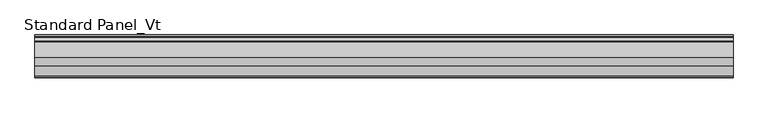
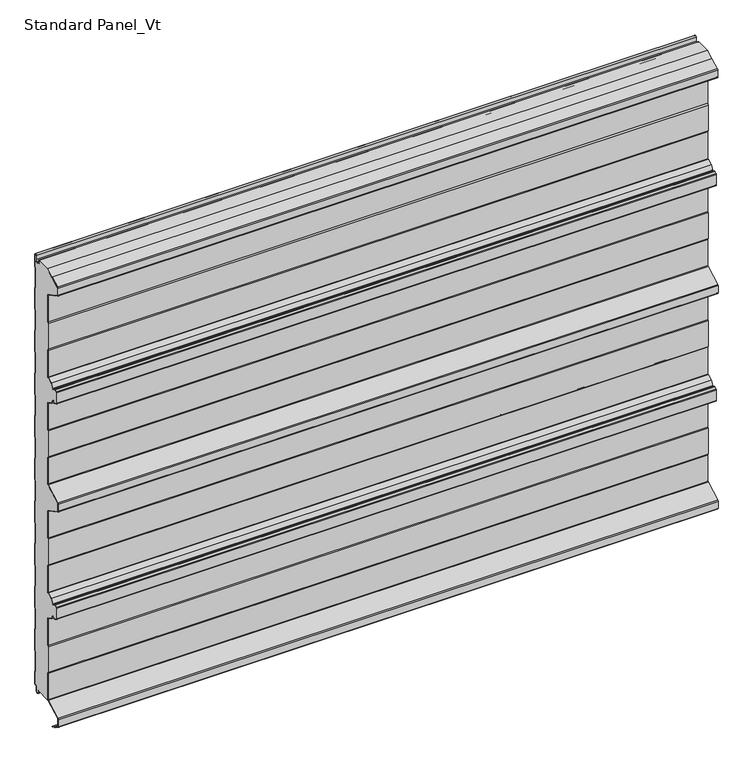
"""IFC4 building model written with IfcOpenShell, lengths in millimetres: proxy geometry, Standard Panel_Vt."""

from ifc_helpers import new_model, si_unit, point, frame, frame_2d, origin, place, context, project, spatial, polyline, circle_curve, trimmed, segment, composite_curve, outline, extrude, source, transform, mapped, element, save


def standard_panel_vt_4b2c9df1(model_context):
    return source(origin(), model_context, "Body", "SweptSolid", [
        extrude(outline(composite_curve([segment(polyline([(-49.2, 32.543601), (-49.2, 93.8381725), (-50.1683897, 96.2198058), (-50.1683897, 156.0111465), (-49.2, 158.3927799), (-49.2, 220.5320467)]), True, "CONTINUOUS"), segment(trimmed(circle_curve(frame_2d((-50.9999978, 220.5292608)), 1.8), [point((-49.2, 220.5320467))], [point((-50.1549332, 222.118558))], True, "CARTESIAN"), True, "CONTINUOUS"), segment(polyline([(-50.1549332, 222.118558), (-61.6730163, 228.2429789), (-67.3606338, 237.2263708)]), True, "CONTINUOUS"), segment(trimmed(circle_curve(frame_2d((-68.8814507, 236.2635023)), 1.8), [point((-67.3606338, 237.2263708))], [point((-69.6883253, 237.8725248))], True, "CARTESIAN"), True, "CONTINUOUS"), segment(polyline([(-69.6883253, 237.8725248), (-74.8672514, 235.275455), (-80.4669529, 238.2529407), (-80.4669529, 263.7469089), (-74.8564238, 266.730009), (-69.6882431, 264.1381991)]), True, "CONTINUOUS"), segment(trimmed(circle_curve(frame_2d((-68.8813366, 265.7472056)), 1.8), [point((-69.6882431, 264.1381991))], [point((-67.3605387, 264.7843069))], True, "CARTESIAN"), True, "CONTINUOUS"), segment(polyline([(-67.3605387, 264.7843069), (-61.6832892, 273.7509288), (-50.1548264, 279.880575)]), True, "CONTINUOUS"), segment(trimmed(circle_curve(frame_2d((-50.9997352, 281.4696552)), 1.7997352), [point((-50.1548264, 279.880575))], [point((-49.2, 281.4696552))], True, "CARTESIAN"), True, "CONTINUOUS"), segment(polyline([(-49.2, 281.4696552), (-49.2, 343.6072197), (-50.1683897, 345.9888602), (-50.1683897, 405.780201), (-49.2, 408.1618409), (-49.2, 469.4564123)]), True, "CONTINUOUS"), segment(trimmed(circle_curve(frame_2d((-51.75, 469.4564123)), 2.55), [point((-49.2, 469.4564123))], [point((-50.5528475, 471.7079287))], True, "CARTESIAN"), True, "CONTINUOUS"), segment(polyline([(-50.5528475, 471.7079287), (-86.4808064, 490.8111633)]), True, "CONTINUOUS"), segment(trimmed(circle_curve(frame_2d((-85.5183897, 492.6212058)), 2.05), [point((-86.4808064, 490.8111633))], [point((-87.5683897, 492.6212058))], False, "CARTESIAN"), True, "CONTINUOUS"), segment(polyline([(-87.5683897, 492.6212058), (-87.5683897, 509.3787942)]), True, "CONTINUOUS"), segment(trimmed(circle_curve(frame_2d((-85.5183897, 509.3787942)), 2.05), [point((-87.5683897, 509.3787942))], [point((-86.4808064, 511.1888367))], False, "CARTESIAN"), True, "CONTINUOUS"), segment(polyline([(-86.4808064, 511.1888367), (-50.5528475, 530.2920713)]), True, "CONTINUOUS"), segment(trimmed(circle_curve(frame_2d((-51.75, 532.5435877)), 2.55), [point((-50.5528475, 530.2920713))], [point((-49.2, 532.5435877))], True, "CARTESIAN"), True, "CONTINUOUS"), segment(polyline([(-49.2, 532.5435877), (-49.2, 594.3381591), (-50.1683897, 596.719799), (-50.1683897, 656.5111398), (-49.2, 658.8927797), (-49.2, 720.3455631)]), True, "CONTINUOUS"), segment(trimmed(circle_curve(frame_2d((-50.9904904, 720.5303448)), 1.8), [point((-49.2, 720.3455631))], [point((-50.1454573, 722.1196588))], True, "CARTESIAN"), True, "CONTINUOUS"), segment(polyline([(-50.1454573, 722.1196588), (-61.6734802, 728.2490711), (-67.3507298, 737.2156932)]), True, "CONTINUOUS"), segment(trimmed(circle_curve(frame_2d((-68.8715276, 736.2527945)), 1.8), [point((-67.3507298, 737.2156932))], [point((-69.6784342, 737.861801))], True, "CARTESIAN"), True, "CONTINUOUS"), segment(polyline([(-69.6784342, 737.861801), (-74.8466132, 735.269992), (-80.4573069, 738.2530732), (-80.4573069, 763.7469201), (-74.8574433, 766.7245456), (-69.6785164, 764.1274753)]), True, "CONTINUOUS"), segment(trimmed(circle_curve(frame_2d((-68.8716418, 765.7364978)), 1.8), [point((-69.6785164, 764.1274753))], [point((-67.3508249, 764.7736293))], True, "CARTESIAN"), True, "CONTINUOUS"), segment(polyline([(-67.3508249, 764.7736293), (-61.6632074, 773.7570212), (-50.1451242, 779.8814421)]), True, "CONTINUOUS"), segment(trimmed(circle_curve(frame_2d((-50.9901889, 781.4707393)), 1.8), [point((-50.1451242, 779.8814421))], [point((-49.2, 781.6584189))], True, "CARTESIAN"), True, "CONTINUOUS"), segment(polyline([(-49.2, 781.6584189), (-49.2, 843.5389374), (-50.1683897, 846.5544463), (-50.1683897, 906.3542239), (-49.2, 909.3076807), (-49.2, 970.7065818)]), True, "CONTINUOUS"), segment(trimmed(circle_curve(frame_2d((-51.7198823, 970.7065818)), 2.5198823), [point((-49.2, 970.7065818))], [point((-50.5090325, 972.91648))], True, "CARTESIAN"), True, "CONTINUOUS"), segment(polyline([(-50.5090325, 972.91648), (-85.4813607, 991.4349523)]), True, "CONTINUOUS"), segment(trimmed(circle_curve(frame_2d((-84.5183897, 993.2447)), 2.05), [point((-85.4813607, 991.4349523))], [point((-86.5683897, 993.2447))], False, "CARTESIAN"), True, "CONTINUOUS"), segment(polyline([(-86.5683897, 993.2447), (-86.5683897, 1008.7553)]), True, "CONTINUOUS"), segment(trimmed(circle_curve(frame_2d((-84.5183897, 1008.7553)), 2.05), [point((-86.5683897, 1008.7553))], [point((-85.4808064, 1010.5653426))], False, "CARTESIAN"), True, "CONTINUOUS"), segment(polyline([(-85.4808064, 1010.5653426), (-46.7559646, 1031.1557062), (-15.3551162, 1031.1557063)]), True, "CONTINUOUS"), segment(trimmed(circle_curve(frame_2d((-15.3274964, 1029.5059375)), 1.65), [point((-15.3551162, 1031.1557063))], [point((-16.9611095, 1029.7379036))], True, "CARTESIAN"), True, "CONTINUOUS"), segment(polyline([(-16.9611095, 1029.7379036), (-17.660313, 1024.8137877), (-16.8682582, 1024.7013192), (-16.1690547, 1029.6254352)]), True, "CONTINUOUS"), segment(trimmed(circle_curve(frame_2d((-15.3274964, 1029.5059375)), 0.85), [point((-16.1690547, 1029.6254352))], [point((-14.4904098, 1029.6535385))], False, "CARTESIAN"), True, "CONTINUOUS"), segment(polyline([(-14.4904098, 1029.6535385), (-13.7278368, 1025.3287722)]), True, "CONTINUOUS"), segment(trimmed(circle_curve(frame_2d((-9.05, 1026.153601)), 4.75), [point((-13.7278368, 1025.3287722))], [point((-4.3, 1026.153601))], True, "CARTESIAN"), True, "CONTINUOUS"), segment(polyline([(-4.3, 1026.153601), (-4.3, 1035.653601)]), True, "CONTINUOUS"), segment(trimmed(circle_curve(frame_2d((-2.55, 1035.653601)), 1.75), [point((-4.3, 1035.653601))], [point((-0.8, 1035.653601))], False, "CARTESIAN"), True, "CONTINUOUS"), segment(polyline([(-0.8, 1035.653601), (-0.8, 1008.0956151), (-1.8, 1006.3635643), (-1.8, 959.8989472), (-0.8, 958.1668964), (-0.8, 909.0956151), (-1.8, 907.3635643), (-1.8, 860.8989472), (-0.8, 859.1668964), (-0.8, 810.0956151), (-1.8, 808.3635643), (-1.8, 761.8989472), (-0.8, 760.1668964), (-0.8, 711.0974098), (-1.8, 709.3229083), (-1.8, 662.8989472), (-0.8, 661.1668964), (-0.8, 612.0956151), (-1.8, 610.3635643), (-1.8, 563.8989472), (-0.8, 562.1668964), (-0.8, 513.0956151), (-1.8, 511.3635643), (-1.8, 464.8989472), (-0.8, 463.1668964), (-0.8, 414.0974098), (-1.8, 412.3229083), (-1.8, 365.8989472), (-0.8, 364.1668964), (-0.8, 315.0974098), (-1.8, 313.3229083), (-1.8, 266.8989472), (-0.8, 265.1668964), (-0.8, 216.0956151), (-1.8, 214.3635643), (-1.8, 167.8989472), (-0.786297, 166.1668964), (-0.786297, 117.0974098), (-1.786297, 115.3229083), (-1.786297, 68.8989472), (-0.786297, 67.1668964), (-0.786297, 40.153601)]), True, "CONTINUOUS"), segment(trimmed(circle_curve(frame_2d((-2.036297, 40.153601)), 1.25), [point((-0.786297, 40.153601))], [point((-2.036297, 38.903601))], False, "CARTESIAN"), True, "CONTINUOUS"), segment(polyline([(-2.036297, 38.903601), (-3.436297, 38.903601)]), True, "CONTINUOUS"), segment(trimmed(circle_curve(frame_2d((-3.436297, 36.153601)), 2.75), [point((-3.436297, 38.903601))], [point((-6.186297, 36.153601))], True, "CARTESIAN"), True, "CONTINUOUS"), segment(polyline([(-6.186297, 36.153601), (-6.186297, 26.353601)]), True, "CONTINUOUS"), segment(trimmed(circle_curve(frame_2d((-9.036297, 26.353601)), 2.85), [point((-6.186297, 26.353601))], [point((-11.8132517, 25.7124905))], False, "CARTESIAN"), True, "CONTINUOUS"), segment(polyline([(-11.8132517, 25.7124905), (-13.0699171, 31.1557062), (-49.6107833, 31.1557062)]), True, "CONTINUOUS"), segment(trimmed(circle_curve(frame_2d((-51.75, 32.543601)), 2.55), [point((-49.6107833, 31.1557062))], [point((-49.2, 32.543601))], True, "CARTESIAN"), True, "CONTINUOUS")], self_intersect=False)), frame((-723.9042608, 0.0, 0.0), z_axis=(1.0, 0.0, 0.0), x_axis=(0.0, 1.0, 0.0)), (0.0, 0.0, 1.0), 1447.8085217),
        extrude(outline(composite_curve([segment(polyline([(-50.0, 32.543601), (-50.0, 93.6817477), (-50.9683897, 96.0633811), (-50.9683897, 156.1675713), (-50.0, 158.5492046), (-50.0, 220.5313373)]), True, "CONTINUOUS"), segment(trimmed(circle_curve(frame_2d((-50.9999978, 220.5292608)), 1.0), [point((-50.0, 220.5313373))], [point((-50.5305175, 221.4122037))], True, "CARTESIAN"), True, "CONTINUOUS"), segment(polyline([(-50.5305175, 221.4122037), (-62.2356263, 227.6360703), (-68.0365524, 236.7984293)]), True, "CONTINUOUS"), segment(trimmed(circle_curve(frame_2d((-68.8814507, 236.2635023)), 1.0), [point((-68.0365524, 236.7984293))], [point((-69.3297144, 237.1574037))], True, "CARTESIAN"), True, "CONTINUOUS"), segment(polyline([(-69.3297144, 237.1574037), (-74.4163001, 234.6066397)]), True, "CONTINUOUS"), segment(trimmed(circle_curve(frame_2d((-74.8645637, 235.5005411)), 1.0), [point((-74.4163001, 234.6066397))], [point((-75.3340441, 234.6175982))], False, "CARTESIAN"), True, "CONTINUOUS"), segment(polyline([(-75.3340441, 234.6175982), (-80.4714183, 237.3492543)]), True, "CONTINUOUS"), segment(trimmed(circle_curve(frame_2d((-79.7671978, 238.6736686)), 1.5), [point((-80.4714183, 237.3492543))], [point((-81.2669529, 238.7007726))], False, "CARTESIAN"), True, "CONTINUOUS"), segment(polyline([(-81.2669529, 238.7007726), (-81.2669529, 263.3263018)]), True, "CONTINUOUS"), segment(trimmed(circle_curve(frame_2d((-79.7669529, 263.3263018)), 1.5), [point((-81.2669529, 263.3263018))], [point((-80.4711471, 264.6507302))], False, "CARTESIAN"), True, "CONTINUOUS"), segment(polyline([(-80.4711471, 264.6507302), (-75.3232034, 267.3878751)]), True, "CONTINUOUS"), segment(trimmed(circle_curve(frame_2d((-74.8537406, 266.5049228)), 1.0), [point((-75.3232034, 267.3878751))], [point((-74.4054592, 267.3988153))], False, "CARTESIAN"), True, "CONTINUOUS"), segment(polyline([(-74.4054592, 267.3988153), (-69.329618, 264.8533131)]), True, "CONTINUOUS"), segment(trimmed(circle_curve(frame_2d((-68.8813366, 265.7472056)), 1.0), [point((-69.329618, 264.8533131))], [point((-68.0364489, 265.2122618))], True, "CARTESIAN"), True, "CONTINUOUS"), segment(polyline([(-68.0364489, 265.2122618), (-62.2458871, 274.3578486), (-50.5303966, 280.5869367)]), True, "CONTINUOUS"), segment(trimmed(circle_curve(frame_2d((-50.9997352, 281.4696552)), 0.9997353), [point((-50.5303966, 280.5869367))], [point((-49.9999999, 281.4696552))], True, "CARTESIAN"), True, "CONTINUOUS"), segment(polyline([(-49.9999999, 281.4696552), (-49.9999999, 343.4507954), (-50.9683897, 345.8324358), (-50.9683897, 405.9366254), (-50.0, 408.3182652), (-50.0, 469.4564123)]), True, "CONTINUOUS"), segment(trimmed(circle_curve(frame_2d((-51.75, 469.4564123)), 1.75), [point((-50.0, 469.4564123))], [point((-50.9284248, 471.0015706))], True, "CARTESIAN"), True, "CONTINUOUS"), segment(polyline([(-50.9284248, 471.0015706), (-86.8563836, 490.1048052)]), True, "CONTINUOUS"), segment(trimmed(circle_curve(frame_2d((-85.5183897, 492.6212058)), 2.85), [point((-86.8563836, 490.1048052))], [point((-88.3683897, 492.6212058))], False, "CARTESIAN"), True, "CONTINUOUS"), segment(polyline([(-88.3683897, 492.6212058), (-88.3683897, 509.3787942)]), True, "CONTINUOUS"), segment(trimmed(circle_curve(frame_2d((-85.5183897, 509.3787942)), 2.85), [point((-88.3683897, 509.3787942))], [point((-86.8563836, 511.8951948))], False, "CARTESIAN"), True, "CONTINUOUS"), segment(polyline([(-86.8563836, 511.8951948), (-50.9284248, 530.9984294)]), True, "CONTINUOUS"), segment(trimmed(circle_curve(frame_2d((-51.75, 532.5435877)), 1.75), [point((-50.9284248, 530.9984294))], [point((-50.0, 532.5435877))], True, "CARTESIAN"), True, "CONTINUOUS"), segment(polyline([(-50.0, 532.5435877), (-50.0, 593.6817348), (-50.9683897, 596.0633746), (-50.9683897, 656.1675642), (-50.0, 658.549204), (-50.0, 720.3927626)]), True, "CONTINUOUS"), segment(trimmed(circle_curve(frame_2d((-50.9904904, 720.5303448)), 1.0), [point((-50.0, 720.3927626))], [point((-50.5210275, 721.413297))], True, "CARTESIAN"), True, "CONTINUOUS"), segment(polyline([(-50.5210275, 721.413297), (-62.2360781, 727.6421513), (-68.0266399, 736.7877383)]), True, "CONTINUOUS"), segment(trimmed(circle_curve(frame_2d((-68.8715276, 736.2527945)), 1.0), [point((-68.0266399, 736.7877383))], [point((-69.319809, 737.146687))], True, "CARTESIAN"), True, "CONTINUOUS"), segment(polyline([(-69.319809, 737.146687), (-74.3956503, 734.6011848)]), True, "CONTINUOUS"), segment(trimmed(circle_curve(frame_2d((-74.8439317, 735.4950773)), 1.0), [point((-74.3956503, 734.6011848))], [point((-75.3133815, 734.6121181))], False, "CARTESIAN"), True, "CONTINUOUS"), segment(polyline([(-75.3133815, 734.6121181), (-80.4614397, 737.3492264)]), True, "CONTINUOUS"), segment(trimmed(circle_curve(frame_2d((-79.7572281, 738.6737347)), 1.5000788), [point((-80.4614397, 737.3492264))], [point((-81.2573069, 738.6737347))], False, "CARTESIAN"), True, "CONTINUOUS"), segment(polyline([(-81.2573069, 738.6737347), (-81.2573069, 763.3263498)]), True, "CONTINUOUS"), segment(trimmed(circle_curve(frame_2d((-79.7573465, 763.3263498)), 1.4999604), [point((-81.2573069, 763.3263498))], [point((-80.4615583, 764.6507239))], False, "CARTESIAN"), True, "CONTINUOUS"), segment(polyline([(-80.4615583, 764.6507239), (-75.3242418, 767.3823984)]), True, "CONTINUOUS"), segment(trimmed(circle_curve(frame_2d((-74.8547548, 766.499459)), 1.0), [point((-75.3242418, 767.3823984))], [point((-74.4064911, 767.3933604))], False, "CARTESIAN"), True, "CONTINUOUS"), segment(polyline([(-74.4064911, 767.3933604), (-69.3199055, 764.8425964)]), True, "CONTINUOUS"), segment(trimmed(circle_curve(frame_2d((-68.8716418, 765.7364978)), 1.0), [point((-69.3199055, 764.8425964))], [point((-68.0267435, 765.2015709))], True, "CARTESIAN"), True, "CONTINUOUS"), segment(polyline([(-68.0267435, 765.2015709), (-62.2258174, 774.3639298), (-50.5207085, 780.5877964)]), True, "CONTINUOUS"), segment(trimmed(circle_curve(frame_2d((-50.9901889, 781.4707393)), 1.0), [point((-50.5207085, 780.5877964))], [point((-50.0, 781.6104744))], True, "CARTESIAN"), True, "CONTINUOUS"), segment(polyline([(-50.0, 781.6104744), (-50.0, 843.3152015), (-50.9683897, 846.3307104), (-50.9683897, 906.4820299), (-50.0, 909.4354867), (-50.0, 970.7065818)]), True, "CONTINUOUS"), segment(trimmed(circle_curve(frame_2d((-51.7198823, 970.7065818)), 1.7198823), [point((-50.0, 970.7065818))], [point((-50.8889236, 972.2124048))], True, "CARTESIAN"), True, "CONTINUOUS"), segment(polyline([(-50.8889236, 972.2124048), (-85.8563836, 990.7282994)]), True, "CONTINUOUS"), segment(trimmed(circle_curve(frame_2d((-84.5183897, 993.2447)), 2.85), [point((-85.8563836, 990.7282994))], [point((-87.3683897, 993.2447))], False, "CARTESIAN"), True, "CONTINUOUS"), segment(polyline([(-87.3683897, 993.2447), (-87.3683897, 1008.7553)]), True, "CONTINUOUS"), segment(trimmed(circle_curve(frame_2d((-84.5183897, 1008.7553)), 2.85), [point((-87.3683897, 1008.7553))], [point((-85.8563836, 1011.2717006))], False, "CARTESIAN"), True, "CONTINUOUS"), segment(polyline([(-85.8563836, 1011.2717006), (-65.2289619, 1022.2394953), (-64.8533847, 1021.5331372), (-85.4808064, 1010.5653426)]), True, "CONTINUOUS"), segment(trimmed(circle_curve(frame_2d((-84.5183897, 1008.7553)), 2.05), [point((-85.4808064, 1010.5653426))], [point((-86.5683897, 1008.7553))], True, "CARTESIAN"), True, "CONTINUOUS"), segment(polyline([(-86.5683897, 1008.7553), (-86.5683897, 993.2447)]), True, "CONTINUOUS"), segment(trimmed(circle_curve(frame_2d((-84.5183897, 993.2447)), 2.05), [point((-86.5683897, 993.2447))], [point((-85.4813607, 991.4349523))], True, "CARTESIAN"), True, "CONTINUOUS"), segment(polyline([(-85.4813607, 991.4349523), (-50.5090325, 972.91648)]), True, "CONTINUOUS"), segment(trimmed(circle_curve(frame_2d((-51.7198823, 970.7065818)), 2.5198823), [point((-50.5090325, 972.91648))], [point((-49.2, 970.7065818))], False, "CARTESIAN"), True, "CONTINUOUS"), segment(polyline([(-49.2, 970.7065818), (-49.2, 909.3076807), (-50.1683897, 906.3542239), (-50.1683897, 846.4560136), (-49.2, 843.4405047), (-49.2, 781.6584189)]), True, "CONTINUOUS"), segment(trimmed(circle_curve(frame_2d((-50.9901889, 781.4707393)), 1.8), [point((-49.2, 781.6584189))], [point((-50.1451242, 779.8814421))], False, "CARTESIAN"), True, "CONTINUOUS"), segment(polyline([(-50.1451242, 779.8814421), (-61.6632074, 773.7570212), (-67.3508249, 764.7736293)]), True, "CONTINUOUS"), segment(trimmed(circle_curve(frame_2d((-68.8716418, 765.7364978)), 1.8), [point((-67.3508249, 764.7736293))], [point((-69.6785164, 764.1274753))], False, "CARTESIAN"), True, "CONTINUOUS"), segment(polyline([(-69.6785164, 764.1274753), (-74.8574433, 766.7245456), (-80.4573069, 763.7469201), (-80.4573069, 738.2530732), (-74.8466132, 735.269992), (-69.6784342, 737.861801)]), True, "CONTINUOUS"), segment(trimmed(circle_curve(frame_2d((-68.8715276, 736.2527945)), 1.8), [point((-69.6784342, 737.861801))], [point((-67.3507298, 737.2156932))], False, "CARTESIAN"), True, "CONTINUOUS"), segment(polyline([(-67.3507298, 737.2156932), (-61.6734802, 728.2490711), (-50.1454573, 722.1196588)]), True, "CONTINUOUS"), segment(trimmed(circle_curve(frame_2d((-50.9904904, 720.5303448)), 1.8), [point((-50.1454573, 722.1196588))], [point((-49.2, 720.3455631))], False, "CARTESIAN"), True, "CONTINUOUS"), segment(polyline([(-49.2, 720.3455631), (-49.2, 658.3927797), (-50.1683897, 656.0111398), (-50.1683897, 596.219799), (-49.2, 593.8381591), (-49.2, 532.5435877)]), True, "CONTINUOUS"), segment(trimmed(circle_curve(frame_2d((-51.75, 532.5435877)), 2.55), [point((-49.2, 532.5435877))], [point((-50.5528475, 530.2920713))], False, "CARTESIAN"), True, "CONTINUOUS"), segment(polyline([(-50.5528475, 530.2920713), (-86.4808064, 511.1888367)]), True, "CONTINUOUS"), segment(trimmed(circle_curve(frame_2d((-85.5183897, 509.3787942)), 2.05), [point((-86.4808064, 511.1888367))], [point((-87.5683897, 509.3787942))], True, "CARTESIAN"), True, "CONTINUOUS"), segment(polyline([(-87.5683897, 509.3787942), (-87.5683897, 492.6212058)]), True, "CONTINUOUS"), segment(trimmed(circle_curve(frame_2d((-85.5183897, 492.6212058)), 2.05), [point((-87.5683897, 492.6212058))], [point((-86.4808064, 490.8111633))], True, "CARTESIAN"), True, "CONTINUOUS"), segment(polyline([(-86.4808064, 490.8111633), (-50.5528475, 471.7079287)]), True, "CONTINUOUS"), segment(trimmed(circle_curve(frame_2d((-51.75, 469.4564123)), 2.55), [point((-50.5528475, 471.7079287))], [point((-49.2, 469.4564123))], False, "CARTESIAN"), True, "CONTINUOUS"), segment(polyline([(-49.2, 469.4564123), (-49.2, 408.1618409), (-50.1683897, 405.780201), (-50.1683897, 345.9888602), (-49.2, 343.6072197), (-49.2, 281.4696552)]), True, "CONTINUOUS"), segment(trimmed(circle_curve(frame_2d((-50.9997352, 281.4696552)), 1.7997352), [point((-49.2, 281.4696552))], [point((-50.1548264, 279.880575))], False, "CARTESIAN"), True, "CONTINUOUS"), segment(polyline([(-50.1548264, 279.880575), (-61.6832892, 273.7509288), (-67.3605387, 264.7843069)]), True, "CONTINUOUS"), segment(trimmed(circle_curve(frame_2d((-68.8813366, 265.7472056)), 1.8), [point((-67.3605387, 264.7843069))], [point((-69.6882431, 264.1381991))], False, "CARTESIAN"), True, "CONTINUOUS"), segment(polyline([(-69.6882431, 264.1381991), (-74.8564238, 266.730009), (-80.4669529, 263.7469089), (-80.4669529, 238.2529407), (-74.8672514, 235.275455), (-69.6883253, 237.8725248)]), True, "CONTINUOUS"), segment(trimmed(circle_curve(frame_2d((-68.8814507, 236.2635023)), 1.8), [point((-69.6883253, 237.8725248))], [point((-67.3606338, 237.2263708))], False, "CARTESIAN"), True, "CONTINUOUS"), segment(polyline([(-67.3606338, 237.2263708), (-61.6730163, 228.2429789), (-50.1549332, 222.118558)]), True, "CONTINUOUS"), segment(trimmed(circle_curve(frame_2d((-50.9999978, 220.5292608)), 1.8), [point((-50.1549332, 222.118558))], [point((-49.2, 220.5320467))], False, "CARTESIAN"), True, "CONTINUOUS"), segment(polyline([(-49.2, 220.5320467), (-49.2, 158.3927799), (-50.1683897, 156.0111465), (-50.1683897, 96.2198058), (-49.2, 93.8381725), (-49.2, 32.543601)]), True, "CONTINUOUS"), segment(trimmed(circle_curve(frame_2d((-51.75, 32.543601)), 2.55), [point((-49.2, 32.543601))], [point((-50.5528475, 30.2920847))], False, "CARTESIAN"), True, "CONTINUOUS"), segment(polyline([(-50.5528475, 30.2920847), (-86.4808064, 11.1888501)]), True, "CONTINUOUS"), segment(trimmed(circle_curve(frame_2d((-85.5183897, 9.3788075)), 2.05), [point((-86.4808064, 11.1888501))], [point((-87.5683897, 9.3788075))], True, "CARTESIAN"), True, "CONTINUOUS"), segment(polyline([(-87.5683897, 9.3788075), (-87.5683897, -7.362)]), True, "CONTINUOUS"), segment(trimmed(circle_curve(frame_2d((-85.5183897, -7.362)), 2.05), [point((-87.5683897, -7.362))], [point((-86.4808064, -9.1720426))], True, "CARTESIAN"), True, "CONTINUOUS"), segment(polyline([(-86.4808064, -9.1720426), (-77.1800551, -14.1173397), (-74.9723908, -16.438449), (-71.7360251, -17.0119818), (-65.8533964, -20.139831), (-66.2289737, -20.846189), (-72.000038, -17.7776597), (-75.3708693, -17.1802976), (-77.6702585, -14.76275), (-86.8563836, -9.8784006)]), True, "CONTINUOUS"), segment(trimmed(circle_curve(frame_2d((-85.5183897, -7.362)), 2.85), [point((-86.8563836, -9.8784006))], [point((-88.3683897, -7.362))], False, "CARTESIAN"), True, "CONTINUOUS"), segment(polyline([(-88.3683897, -7.362), (-88.3683897, 9.3788075)]), True, "CONTINUOUS"), segment(trimmed(circle_curve(frame_2d((-85.5183897, 9.3788075)), 2.85), [point((-88.3683897, 9.3788075))], [point((-86.8563836, 11.8952082))], False, "CARTESIAN"), True, "CONTINUOUS"), segment(polyline([(-86.8563836, 11.8952082), (-50.9284248, 30.9984427)]), True, "CONTINUOUS"), segment(trimmed(circle_curve(frame_2d((-51.75, 32.543601)), 1.75), [point((-50.9284248, 30.9984427))], [point((-50.0, 32.543601))], True, "CARTESIAN"), True, "CONTINUOUS")], self_intersect=False)), frame((-723.9042608, 0.0, 0.0), z_axis=(1.0, 0.0, 0.0), x_axis=(0.0, 1.0, 0.0)), (0.0, 0.0, 1.0), 1447.8085217),
        extrude(outline(composite_curve([segment(polyline([(0.0, 1035.653601), (0.0, 1007.8812557), (-1.0, 1006.1492049), (-1.0, 960.1133065), (0.0, 958.3812557), (0.0, 908.8812557), (-1.0, 907.1492049), (-1.0, 861.1133065), (0.0, 859.3812557), (0.0, 809.8812557), (-1.0, 808.1492049), (-1.0, 762.1133065), (0.0, 760.3812557), (0.0, 710.8875118), (-1.0, 709.1130103), (-1.0, 663.1133065), (0.0, 661.3812557), (0.0, 611.8812557), (-1.0, 610.1492049), (-1.0, 564.1133065), (0.0, 562.3812557), (0.0, 512.8812557), (-1.0, 511.1492049), (-1.0, 465.1133065), (0.0, 463.3812557), (0.0, 413.8875118), (-1.0, 412.1130103), (-1.0, 366.1133065), (0.0, 364.3812557), (0.0, 314.8875118), (-1.0, 313.1130103), (-1.0, 267.1133065), (0.0, 265.3812557), (0.0, 215.8812557), (-1.0, 214.1492049), (-1.0, 168.1133065), (0.013703, 166.3812557), (0.013703, 116.8875118), (-0.986297, 115.1130103), (-0.986297, 69.1133065), (0.013703, 67.3812557), (0.013703, 40.153601)]), True, "CONTINUOUS"), segment(trimmed(circle_curve(frame_2d((-2.036297, 40.153601)), 2.05), [point((0.013703, 40.153601))], [point((-2.036297, 38.103601))], False, "CARTESIAN"), True, "CONTINUOUS"), segment(polyline([(-2.036297, 38.103601), (-3.436297, 38.103601)]), True, "CONTINUOUS"), segment(trimmed(circle_curve(frame_2d((-3.436297, 36.153601)), 1.95), [point((-3.436297, 38.103601))], [point((-5.386297, 36.153601))], True, "CARTESIAN"), True, "CONTINUOUS"), segment(polyline([(-5.386297, 36.153601), (-5.386297, 26.353601)]), True, "CONTINUOUS"), segment(trimmed(circle_curve(frame_2d((-9.036297, 26.353601)), 3.65), [point((-5.386297, 26.353601))], [point((-12.5927478, 25.5325297))], False, "CARTESIAN"), True, "CONTINUOUS"), segment(polyline([(-12.5927478, 25.5325297), (-13.8494131, 30.9757453), (-13.0699171, 31.1557062), (-11.8132517, 25.7124905)]), True, "CONTINUOUS"), segment(trimmed(circle_curve(frame_2d((-9.036297, 26.353601)), 2.85), [point((-11.8132517, 25.7124905))], [point((-6.186297, 26.353601))], True, "CARTESIAN"), True, "CONTINUOUS"), segment(polyline([(-6.186297, 26.353601), (-6.186297, 36.153601)]), True, "CONTINUOUS"), segment(trimmed(circle_curve(frame_2d((-3.436297, 36.153601)), 2.75), [point((-6.186297, 36.153601))], [point((-3.436297, 38.903601))], False, "CARTESIAN"), True, "CONTINUOUS"), segment(polyline([(-3.436297, 38.903601), (-2.036297, 38.903601)]), True, "CONTINUOUS"), segment(trimmed(circle_curve(frame_2d((-2.036297, 40.153601)), 1.25), [point((-2.036297, 38.903601))], [point((-0.786297, 40.153601))], True, "CARTESIAN"), True, "CONTINUOUS"), segment(polyline([(-0.786297, 40.153601), (-0.786297, 67.1668964), (-1.786297, 68.8989472), (-1.786297, 115.3229083), (-0.786297, 117.0974098), (-0.786297, 166.1668964), (-1.8, 167.8989472), (-1.8, 214.3635643), (-0.8, 216.0956151), (-0.8, 265.1668964), (-1.8, 266.8989472), (-1.8, 313.3229083), (-0.8, 315.0974098), (-0.8, 364.1668964), (-1.8, 365.8989472), (-1.8, 412.3229083), (-0.8, 414.0974098), (-0.8, 463.1668964), (-1.8, 464.8989472), (-1.8, 511.3635643), (-0.8, 513.0956151), (-0.8, 562.1668964), (-1.8, 563.8989472), (-1.8, 610.3635643), (-0.8, 612.0956151), (-0.8, 661.1668964), (-1.8, 662.8989472), (-1.8, 709.3229083), (-0.8, 711.0974098), (-0.8, 760.1668964), (-1.8, 761.8989472), (-1.8, 808.3635643), (-0.8, 810.0956151), (-0.8, 859.1668964), (-1.8, 860.8989472), (-1.8, 907.3635643), (-0.8, 909.0956151), (-0.8, 958.1668964), (-1.8, 959.8989472), (-1.8, 1006.3635643), (-0.8, 1008.0956151), (-0.8, 1035.653601)]), True, "CONTINUOUS"), segment(trimmed(circle_curve(frame_2d((-2.55, 1035.653601)), 1.75), [point((-0.8, 1035.653601))], [point((-4.3, 1035.653601))], True, "CARTESIAN"), True, "CONTINUOUS"), segment(polyline([(-4.3, 1035.653601), (-4.3, 1026.153601)]), True, "CONTINUOUS"), segment(trimmed(circle_curve(frame_2d((-9.05, 1026.153601)), 4.75), [point((-4.3, 1026.153601))], [point((-13.7278368, 1025.3287722))], False, "CARTESIAN"), True, "CONTINUOUS"), segment(polyline([(-13.7278368, 1025.3287722), (-14.4904098, 1029.6535385)]), True, "CONTINUOUS"), segment(trimmed(circle_curve(frame_2d((-15.3274964, 1029.5059375)), 0.85), [point((-14.4904098, 1029.6535385))], [point((-16.1690547, 1029.6254352))], True, "CARTESIAN"), True, "CONTINUOUS"), segment(polyline([(-16.1690547, 1029.6254352), (-16.8682582, 1024.7013192), (-17.660313, 1024.8137877), (-16.9611095, 1029.7379036)]), True, "CONTINUOUS"), segment(trimmed(circle_curve(frame_2d((-15.3274964, 1029.5059375)), 1.65), [point((-16.9611095, 1029.7379036))], [point((-13.7025636, 1029.792457))], False, "CARTESIAN"), True, "CONTINUOUS"), segment(polyline([(-13.7025636, 1029.792457), (-12.9399906, 1025.4676907)]), True, "CONTINUOUS"), segment(trimmed(circle_curve(frame_2d((-9.05, 1026.153601)), 3.95), [point((-12.9399906, 1025.4676907))], [point((-5.1, 1026.153601))], True, "CARTESIAN"), True, "CONTINUOUS"), segment(polyline([(-5.1, 1026.153601), (-5.1, 1035.653601)]), True, "CONTINUOUS"), segment(trimmed(circle_curve(frame_2d((-2.55, 1035.653601)), 2.55), [point((-5.1, 1035.653601))], [point((0.0, 1035.653601))], False, "CARTESIAN"), True, "CONTINUOUS")], self_intersect=False)), frame((-723.9042608, 0.0, 0.0), z_axis=(1.0, 0.0, 0.0), x_axis=(0.0, 1.0, 0.0)), (0.0, 0.0, 1.0), 1447.8085217),
    ])


if __name__ == "__main__":
    model = new_model("IFC4")
    model_context = context("Model", 3, world=origin())
    ifc_project = project(units=[si_unit("LENGTHUNIT", "METRE", prefix="MILLI")], contexts=[model_context])
    site = spatial("IfcSite", under=ifc_project)
    building = spatial("IfcBuilding", under=site)
    placement = place(None, origin())
    standard_panel_vt_shape = standard_panel_vt_4b2c9df1(model_context)
    element("IfcBuildingElementProxy", 1, Name="Standard Panel_Vt", ObjectType="Standard Panel_Vt", at=placement, inside=building, context=model_context, shape_type="MappedRepresentation", body=[
        mapped(standard_panel_vt_shape, transform((0.0, 0.0, 0.0), x_axis=(1.0, 0.0, 0.0), y_axis=(0.0, 1.0, 0.0), z_axis=(0.0, 0.0, 1.0))),
    ])
    save(model, "model.ifc")
